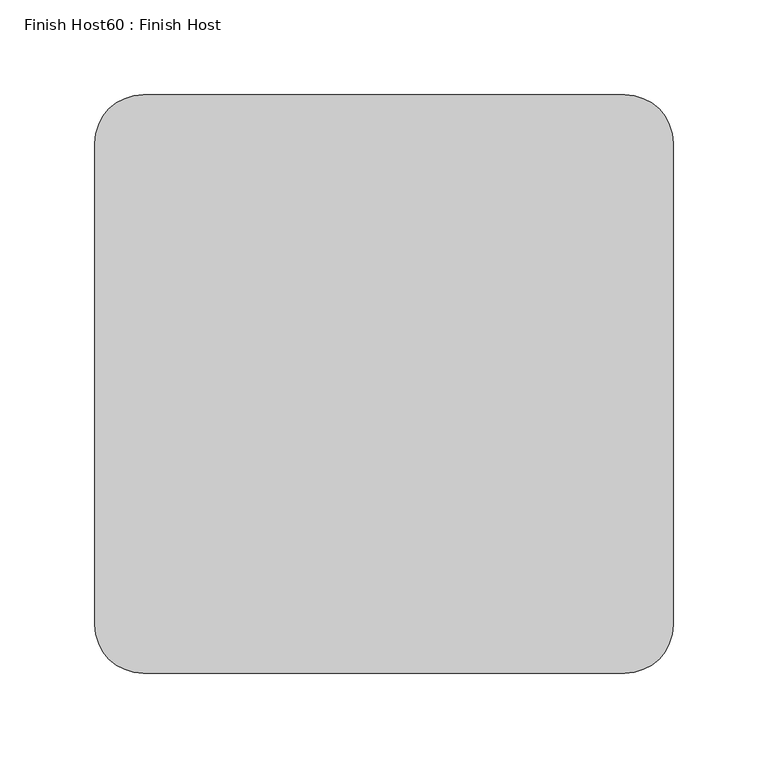
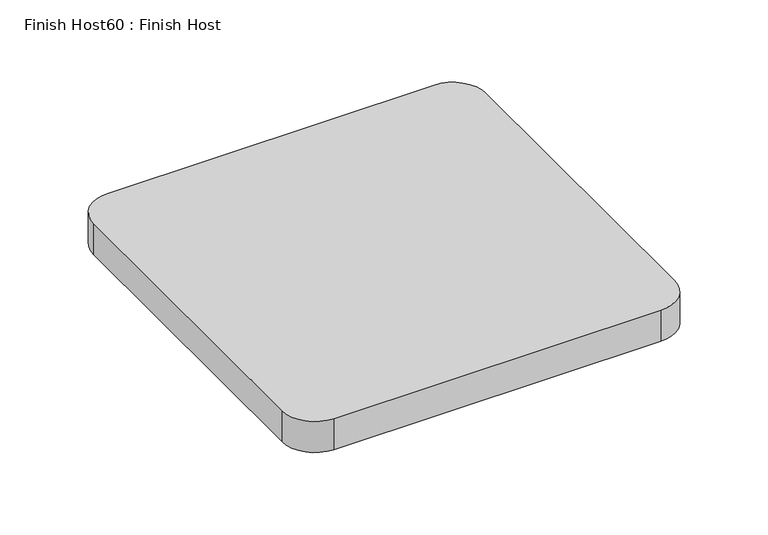
"""IFC4 building model written with IfcOpenShell, lengths in millimetres: proxy geometry, Finish Host60 : Finish Host."""

from ifc_helpers import new_model, si_unit, point, frame_2d, origin, origin_with_axes, place, context, project, spatial, polyline, circle_curve, trimmed, segment, composite_curve, outline, extrude, source, transform, mapped, element, save


def finish_host60_finish_host_f87967e8(model_context):
    return source(origin(), model_context, "Body", "SweptSolid", [
        extrude(outline(composite_curve([segment(polyline([(4594.6934426, 546.4122951), (4594.6934426, 800.4122951)]), True, "CONTINUOUS"), segment(trimmed(circle_curve(frame_2d((4620.0934426, 800.4122951)), 25.4), [point((4594.6934426, 800.4122951))], [point((4620.0934426, 825.8122951))], False, "CARTESIAN"), True, "CONTINUOUS"), segment(polyline([(4620.0934426, 825.8122951), (4874.0934426, 825.8122951)]), True, "CONTINUOUS"), segment(trimmed(circle_curve(frame_2d((4874.0934426, 800.4122951)), 25.4), [point((4874.0934426, 825.8122951))], [point((4899.4934426, 800.4122951))], False, "CARTESIAN"), True, "CONTINUOUS"), segment(polyline([(4899.4934426, 800.4122951), (4899.4934426, 546.4122951)]), True, "CONTINUOUS"), segment(trimmed(circle_curve(frame_2d((4874.0934426, 546.4122951)), 25.4), [point((4899.4934426, 546.4122951))], [point((4874.0934426, 521.0122951))], False, "CARTESIAN"), True, "CONTINUOUS"), segment(polyline([(4874.0934426, 521.0122951), (4620.0934426, 521.0122951)]), True, "CONTINUOUS"), segment(trimmed(circle_curve(frame_2d((4620.0934426, 546.4122951)), 25.4), [point((4620.0934426, 521.0122951))], [point((4594.6934426, 546.4122951))], False, "CARTESIAN"), True, "CONTINUOUS")], self_intersect=False)), origin_with_axes(), (0.0, 0.0, 1.0), 25.4),
    ])


if __name__ == "__main__":
    model = new_model("IFC4")
    model_context = context("Model", 3, world=origin())
    ifc_project = project(units=[si_unit("LENGTHUNIT", "METRE", prefix="MILLI")], contexts=[model_context])
    site = spatial("IfcSite", under=ifc_project)
    building = spatial("IfcBuilding", under=site)
    placement = place(None, origin())
    finish_host60_finish_host_shape = finish_host60_finish_host_f87967e8(model_context)
    element("IfcBuildingElementProxy", 1, Name="Finish Host60 : Finish Host", ObjectType="Finish Host60 : Finish Host", at=placement, inside=building, context=model_context, shape_type="MappedRepresentation", body=[
        mapped(finish_host60_finish_host_shape, transform((0.0, 0.0, 0.0), x_axis=(1.0, 0.0, 0.0), y_axis=(0.0, 1.0, 0.0), z_axis=(0.0, 0.0, 1.0))),
    ])
    save(model, "model.ifc")
